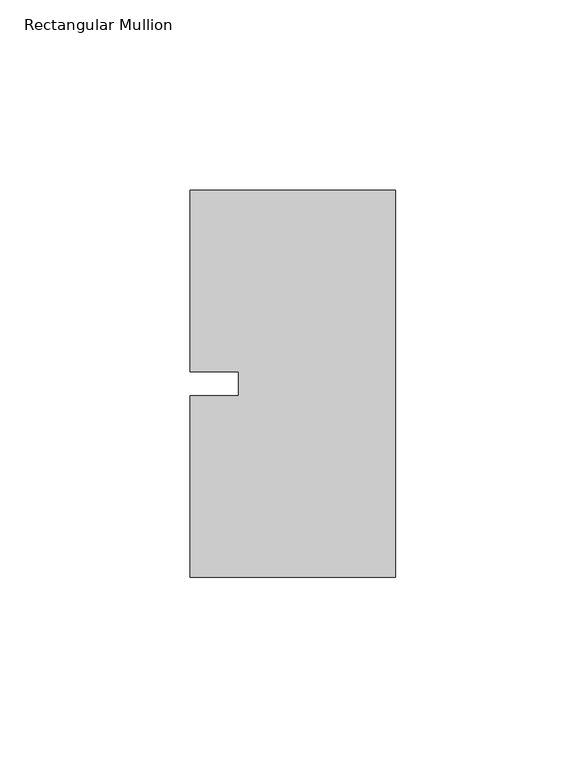
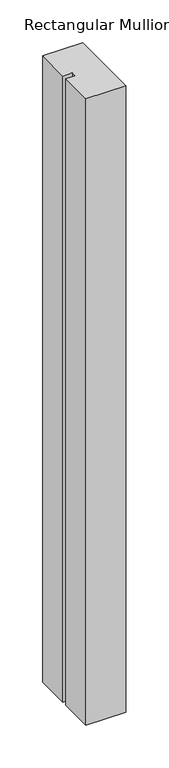
"""IFC4 building model written with IfcOpenShell, lengths in millimetres: member geometry, Rectangular Mullion."""

from ifc_helpers import new_model, si_unit, frame, origin, place, context, project, spatial, polyline, outline, extrude, source, transform, mapped, element, save


def rectangular_mullion_58c22a54(model_context):
    return source(origin(), model_context, "Body", "SweptSolid", [
        extrude(outline(polyline([(-53.975, 50.8), (0.0, 50.8), (0.0, -50.8), (-53.975, -50.8), (-53.975, -3.175), (-41.2732296, -3.175), (-41.2732296, 3.175), (-53.975, 3.175), (-53.975, 50.8)])), frame((0.0, 0.0, -896.5094027), z_axis=(0.0, 0.0, 1.0), x_axis=(1.0, 0.0, 0.0)), (0.0, 0.0, 1.0), 896.5094027),
    ])


if __name__ == "__main__":
    model = new_model("IFC4")
    model_context = context("Model", 3, world=origin())
    ifc_project = project(units=[si_unit("LENGTHUNIT", "METRE", prefix="MILLI")], contexts=[model_context])
    site = spatial("IfcSite", under=ifc_project)
    building = spatial("IfcBuilding", under=site)
    placement = place(None, origin())
    rectangular_mullion_shape = rectangular_mullion_58c22a54(model_context)
    element("IfcMember", 1, ObjectType="Rectangular Mullion", at=placement, inside=building, context=model_context, shape_type="MappedRepresentation", body=[
        mapped(rectangular_mullion_shape, transform((0.0, 0.0, 0.0), x_axis=(1.0, 0.0, 0.0), y_axis=(0.0, 1.0, 0.0), z_axis=(0.0, 0.0, 1.0))),
    ])
    save(model, "model.ifc")
